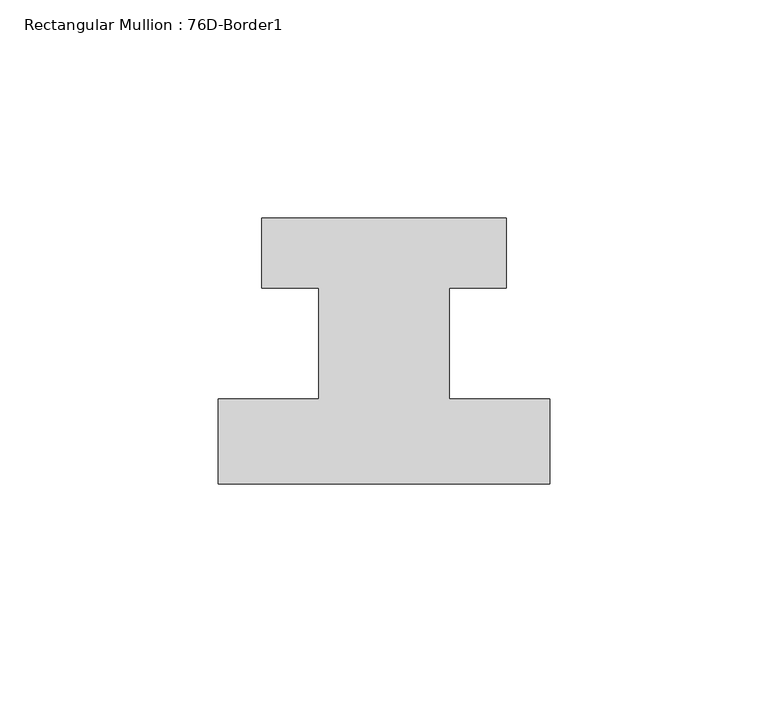
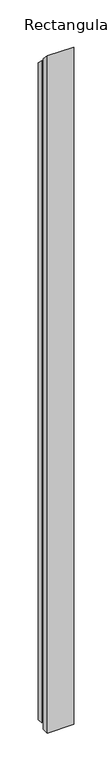
"""IFC4 building model written with IfcOpenShell, lengths in millimetres: member geometry, Rectangular Mullion : 76D-Border1."""

from ifc_helpers import new_model, si_unit, origin, place, context, project, spatial, faceted_brep, source, transform, mapped, element, save


def rectangular_mullion_76d_border1_b434e5cd(model_context):
    return source(origin(), model_context, "Body", "Brep", [
        faceted_brep([(-76.0, -20.0, -2024.0), (-76.0, -0.5, -2024.0), (-53.0, -0.5, -2024.0), (-53.0, 25.0, -2024.0), (-66.0, 25.0, -2024.0), (-66.0, 41.0, -2024.0), (-10.0, 41.0, -2024.0), (-10.0, 25.0, -2024.0), (-23.0, 25.0, -2024.0), (-23.0, -0.5, -2024.0), (0.0, -0.5, -2024.0), (0.0, -20.0, -2024.0), (0.0, -20.0, 20.0), (-76.0, -20.0, 20.0), (0.0, -0.5, 0.5), (-23.0, -0.5, 0.5), (-23.0, 25.0, -25.0), (-10.0, 25.0, -25.0), (-10.0, 41.0, -41.0), (-66.0, 41.0, -41.0), (-66.0, 25.0, -25.0), (-53.0, 25.0, -25.0), (-53.0, -0.5, 0.5), (-76.0, -0.5, 0.5)], [[[0, 1, 2, 3, 4, 5, 6, 7, 8, 9, 10, 11]], [[12, 13, 0, 11]], [[14, 12, 11, 10]], [[15, 14, 10, 9]], [[16, 15, 9, 8]], [[17, 16, 8, 7]], [[18, 17, 7, 6]], [[19, 18, 6, 5]], [[20, 19, 5, 4]], [[21, 20, 4, 3]], [[22, 21, 3, 2]], [[23, 22, 2, 1]], [[13, 23, 1, 0]], [[13, 12, 14, 15, 16, 17, 18, 19, 20, 21, 22, 23]]]),
    ])


if __name__ == "__main__":
    model = new_model("IFC4")
    model_context = context("Model", 3, world=origin())
    ifc_project = project(units=[si_unit("LENGTHUNIT", "METRE", prefix="MILLI")], contexts=[model_context])
    site = spatial("IfcSite", under=ifc_project)
    building = spatial("IfcBuilding", under=site)
    placement = place(None, origin())
    rectangular_mullion_76d_border1_shape = rectangular_mullion_76d_border1_b434e5cd(model_context)
    element("IfcMember", 1, ObjectType="Rectangular Mullion : 76D-Border1", at=placement, inside=building, context=model_context, shape_type="MappedRepresentation", body=[
        mapped(rectangular_mullion_76d_border1_shape, transform((0.0, 0.0, 0.0), x_axis=(1.0, 0.0, 0.0), y_axis=(0.0, 1.0, 0.0), z_axis=(0.0, 0.0, 1.0))),
    ])
    save(model, "model.ifc")
